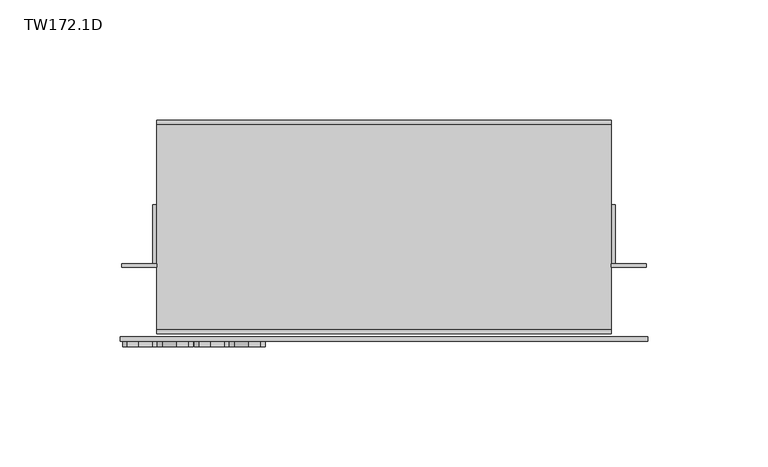
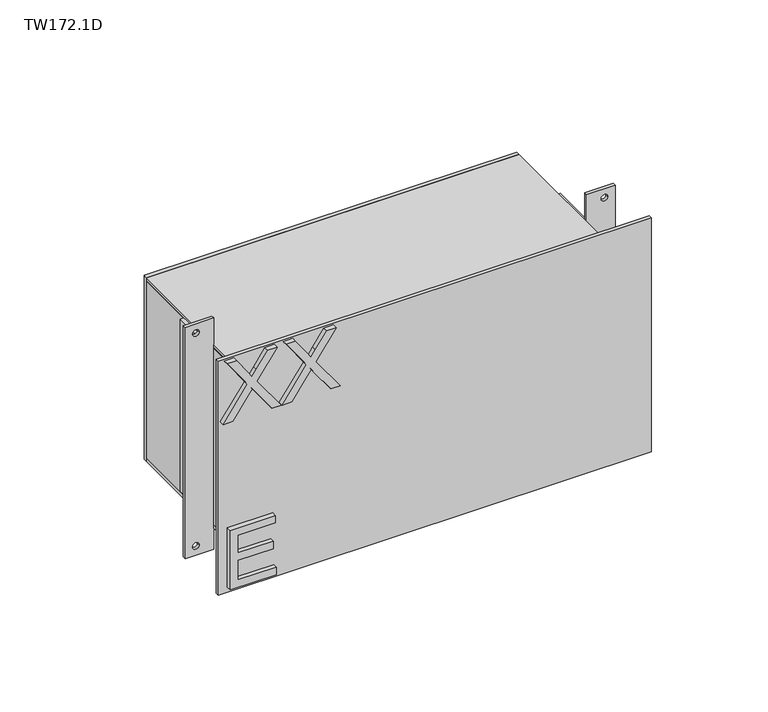
"""IFC4 building model written with IfcOpenShell, lengths in millimetres: furniture geometry, TW172.1D."""

from ifc_helpers import new_model, si_unit, point, frame, frame_2d, origin, place, context, project, spatial, polyline, circle_curve, trimmed, segment, composite_curve, outline, extrude, source, transform, mapped, element, save


def tw172_1d_fe1f7192(model_context):
    return source(origin(), model_context, "Body", "SweptSolid", [
        extrude(outline(polyline([(1458.603084, -86.6045977), (1458.603084, -63.1817963), (1462.5899438, -63.1817963), (1462.5899438, -82.6177379), (1473.0554508, -82.6177379), (1473.0554508, -64.6768688), (1477.0423107, -64.6768688), (1477.0423107, -82.6177379), (1486.5111027, -82.6177379), (1486.5111027, -63.6801538), (1490.4979625, -63.6801538), (1490.4979625, -86.6045977), (1458.603084, -86.6045977)])), frame((0.0, -30.559375, 0.0), z_axis=(0.0, 1.0, 0.0), x_axis=(0.0, 0.0, 1.0)), (0.0, 0.0, 1.0), 2.38125),
        extrude(outline(polyline([(1548.5654399, -90.0931001), (1548.5654399, -85.2419015), (1559.8874988, -77.2448214), (1562.5194492, -75.368194), (1560.1211038, -73.662877), (1548.5654399, -65.471126), (1548.5654399, -60.690009), (1565.8989358, -72.9854223), (1580.4603183, -62.6834389), (1580.4603183, -67.5346374), (1572.3464357, -73.2735352), (1569.1071121, -75.5628649), (1572.2919278, -77.5173606), (1580.4603183, -83.3185531), (1580.4603183, -88.0996701), (1565.9456568, -77.7976867), (1548.5654399, -90.0931001)])), frame((0.0, -30.559375, 0.0), z_axis=(0.0, 1.0, 0.0), x_axis=(0.0, 0.0, 1.0)), (0.0, 0.0, 1.0), 2.38125),
        extrude(outline(polyline([(1548.5654399, -60.1916515), (1548.5654399, -55.3404529), (1559.8874988, -47.3433728), (1562.5194492, -45.4667454), (1560.1211038, -43.7614284), (1548.5654399, -35.5696774), (1548.5654399, -30.7885604), (1565.8989358, -43.0839738), (1580.4603183, -32.7819903), (1580.4603183, -37.6331889), (1572.3464357, -43.3720867), (1569.1071121, -45.6614163), (1572.2919278, -47.615912), (1580.4603183, -53.4171045), (1580.4603183, -58.1982216), (1565.9456568, -47.8962381), (1548.5654399, -60.1916515)])), frame((0.0, -30.559375, 0.0), z_axis=(0.0, 1.0, 0.0), x_axis=(0.0, 0.0, 1.0)), (0.0, 0.0, 1.0), 2.38125),
        extrude(outline(polyline([(113.2435643, -25.1023438), (-75.7681545, -25.1023437), (-75.7681545, -23.5148437), (113.2435643, -23.5148437), (113.2435643, -25.1023438)])), frame((0.0, 0.0, 1553.56306), z_axis=(0.0, 0.0, 1.0), x_axis=(1.0, 0.0, 0.0)), (0.0, 0.0, 1.0), 12.7),
        extrude(outline(polyline([(113.2435643, -25.1023438), (-75.7681545, -25.1023437), (-75.7681545, -23.5148437), (113.2435643, -23.5148437), (113.2435643, -25.1023438)])), frame((0.0, 0.0, 1467.83806), z_axis=(0.0, 0.0, 1.0), x_axis=(1.0, 0.0, 0.0)), (0.0, 0.0, 1.0), 12.7),
        extrude(outline(polyline([(113.2435643, 63.7976562), (113.2435643, 62.0117187), (-75.7681545, 62.0117187), (-75.7681545, 63.7976562), (113.2435643, 63.7976562)])), frame((0.0, 0.0, 1467.83806), z_axis=(0.0, 0.0, 1.0), x_axis=(1.0, 0.0, 0.0)), (0.0, 0.0, 1.0), 98.425),
        extrude(outline(polyline([(-73.982217, -23.5148437), (-75.7681545, -23.5148437), (-75.7681545, 62.0117188), (-73.982217, 62.0117188), (-73.982217, -23.5148437)])), frame((0.0, 0.0, 1469.6239975), z_axis=(0.0, 0.0, 1.0), x_axis=(1.0, 0.0, 0.0)), (0.0, 0.0, 1.0), 94.853125),
        extrude(outline(polyline([(113.2435643, -23.5148437), (111.4576268, -23.5148437), (111.4576268, 62.0117187), (113.2435643, 62.0117187), (113.2435643, -23.5148437)])), frame((0.0, 0.0, 1469.6239975), z_axis=(0.0, 0.0, 1.0), x_axis=(1.0, 0.0, 0.0)), (0.0, 0.0, 1.0), 94.853125),
        extrude(outline(polyline([(113.2435643, -23.5148437), (-75.7681545, -23.5148437), (-75.7681545, 62.0117188), (113.2435643, 62.0117187), (113.2435643, -23.5148437)])), frame((0.0, 0.0, 1564.4771225), z_axis=(0.0, 0.0, 1.0), x_axis=(1.0, 0.0, 0.0)), (0.0, 0.0, 1.0), 1.7859375),
        extrude(outline(polyline([(113.2435643, -23.5148437), (-75.7681545, -23.5148437), (-75.7681545, 62.0117188), (113.2435643, 62.0117187), (113.2435643, -23.5148437)])), frame((0.0, 0.0, 1467.83806), z_axis=(0.0, 0.0, 1.0), x_axis=(1.0, 0.0, 0.0)), (0.0, 0.0, 1.0), 1.7859375),
        extrude(outline(polyline([(-75.7681545, 28.6742188), (-75.7681545, 4.0679688), (-77.554092, 4.0679688), (-77.554092, 28.6742188), (-75.7681545, 28.6742188)])), frame((0.0, 0.0, 1472.60056), z_axis=(0.0, 0.0, 1.0), x_axis=(1.0, 0.0, 0.0)), (0.0, 0.0, 1.0), 92.1742188),
        extrude(outline(polyline([(115.0295018, 28.6742188), (115.0295018, 4.0679688), (113.2435643, 4.0679688), (113.2435643, 28.6742188), (115.0295018, 28.6742188)])), frame((0.0, 0.0, 1472.60056), z_axis=(0.0, 0.0, 1.0), x_axis=(1.0, 0.0, 0.0)), (0.0, 0.0, 1.0), 92.1742188),
        extrude(outline(polyline([(1580.6497787, -75.7681545), (1580.6497787, -90.3533107), (1456.72556, -90.3533107), (1456.72556, -75.7681545), (1580.6497787, -75.7681545)]), holes=[composite_curve([segment(trimmed(circle_curve(frame_2d((1575.78806, -84.8962795)), 1.6867188), [point((1575.78806, -86.5829982))], [point((1575.78806, -83.2095607))], True, "CARTESIAN"), True, "CONTINUOUS"), segment(trimmed(circle_curve(frame_2d((1575.78806, -84.8962795)), 1.6867188), [point((1575.78806, -83.2095607))], [point((1575.78806, -86.5829982))], True, "CARTESIAN"), True, "CONTINUOUS")], self_intersect=False), composite_curve([segment(trimmed(circle_curve(frame_2d((1461.5872788, -84.8962795)), 1.6867188), [point((1461.5872788, -86.5829982))], [point((1461.5872788, -83.2095607))], True, "CARTESIAN"), True, "CONTINUOUS"), segment(trimmed(circle_curve(frame_2d((1461.5872788, -84.8962795)), 1.6867188), [point((1461.5872788, -83.2095607))], [point((1461.5872788, -86.5829982))], True, "CARTESIAN"), True, "CONTINUOUS")], self_intersect=False)]), frame((0.0, 2.4804688, 0.0), z_axis=(0.0, 1.0, 0.0), x_axis=(0.0, 0.0, 1.0)), (0.0, 0.0, 1.0), 1.5875),
        extrude(outline(polyline([(1580.6497787, 127.8287205), (1580.6497787, 113.2435643), (1456.72556, 113.2435643), (1456.72556, 127.8287205), (1580.6497787, 127.8287205)]), holes=[composite_curve([segment(trimmed(circle_curve(frame_2d((1575.78806, 122.3716893)), 1.6867188), [point((1575.78806, 120.6849705))], [point((1575.78806, 124.058408))], True, "CARTESIAN"), True, "CONTINUOUS"), segment(trimmed(circle_curve(frame_2d((1575.78806, 122.3716893)), 1.6867188), [point((1575.78806, 124.058408))], [point((1575.78806, 120.6849705))], True, "CARTESIAN"), True, "CONTINUOUS")], self_intersect=False), composite_curve([segment(trimmed(circle_curve(frame_2d((1461.5872788, 122.3716893)), 1.6867188), [point((1461.5872788, 120.6849705))], [point((1461.5872788, 124.058408))], True, "CARTESIAN"), True, "CONTINUOUS"), segment(trimmed(circle_curve(frame_2d((1461.5872788, 122.3716893)), 1.6867188), [point((1461.5872788, 124.058408))], [point((1461.5872788, 120.6849705))], True, "CARTESIAN"), True, "CONTINUOUS")], self_intersect=False)]), frame((0.0, 2.4804688, 0.0), z_axis=(0.0, 1.0, 0.0), x_axis=(0.0, 0.0, 1.0)), (0.0, 0.0, 1.0), 1.5875),
        extrude(outline(polyline([(128.5728612, -28.178125), (-91.0974513, -28.178125), (-91.0974513, -26.2929687), (128.5728612, -26.2929687), (128.5728612, -28.178125)])), frame((0.0, 0.0, 1455.93181), z_axis=(0.0, 0.0, 1.0), x_axis=(1.0, 0.0, 0.0)), (0.0, 0.0, 1.0), 125.5117188),
    ])


if __name__ == "__main__":
    model = new_model("IFC4")
    model_context = context("Model", 3, world=origin())
    ifc_project = project(units=[si_unit("LENGTHUNIT", "METRE", prefix="MILLI")], contexts=[model_context])
    site = spatial("IfcSite", under=ifc_project)
    building = spatial("IfcBuilding", under=site)
    placement = place(None, origin())
    tw172_1d_shape = tw172_1d_fe1f7192(model_context)
    element("IfcFurniture", 1, ObjectType="TW172.1D", at=placement, inside=building, context=model_context, shape_type="MappedRepresentation", body=[
        mapped(tw172_1d_shape, transform((0.0, 0.0, 0.0), x_axis=(1.0, 0.0, 0.0), y_axis=(0.0, 1.0, 0.0), z_axis=(0.0, 0.0, 1.0))),
    ])
    save(model, "model.ifc")
